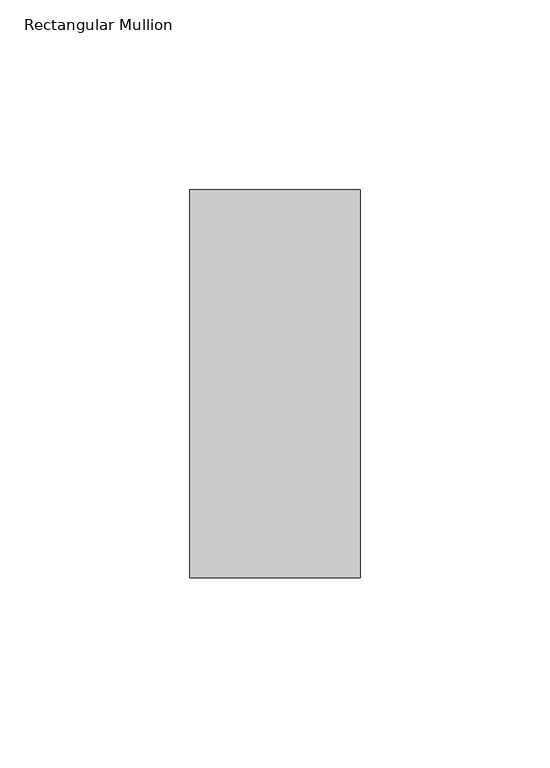
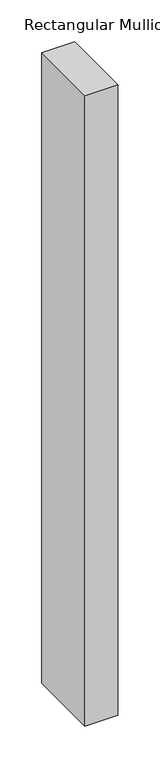
"""IFC4 building model written with IfcOpenShell, lengths in millimetres: member geometry, Rectangular Mullion."""

import ifcopenshell
import ifcopenshell.guid

model = None  # the IFC model being written
_history = None  # IfcOwnerHistory: only IFC2X3 demands one
_inside = {}  # id of a spatial element -> (the spatial element, [elements in it])
_under = {}  # id of a project, library or spatial element -> (it, [spatial elements below it])
_declared = {}  # id of a project -> (the project, [libraries it declares])
_typed = {}  # id of a type object -> (the type object, [elements of that type])
_made_of = {}  # id of a material, layer set ... -> (it, [elements and type objects made of it])


def new_model(schema):
    """Start an empty IFC model of exactly this schema.

    Asked for "IFC4X3", IfcOpenShell would pick the latest addendum, in which some entities
    have other attributes; the version numbers below select the first issue.
    IFC2X3 requires an IfcOwnerHistory on every rooted entity: one is made here for all.
    """
    global model, _history
    if schema == "IFC4X3":
        model = ifcopenshell.file(schema_version=(4, 3, 0, 0))
    else:
        model = ifcopenshell.file(schema=schema)
    _inside.clear()
    _under.clear()
    _declared.clear()
    _typed.clear()
    _made_of.clear()
    _history = None
    if model.schema == "IFC2X3":
        org = make("IfcOrganization", Name="unknown")
        user = make(
            "IfcPersonAndOrganization",
            ThePerson=make("IfcPerson", FamilyName="unknown"),
            TheOrganization=org,
        )
        app = make(
            "IfcApplication",
            ApplicationDeveloper=org,
            Version="unknown",
            ApplicationFullName="unknown",
            ApplicationIdentifier="unknown",
        )
        _history = make(
            "IfcOwnerHistory",
            OwningUser=user,
            OwningApplication=app,
            ChangeAction="ADDED",
            CreationDate=0,
        )
    return model


def make(cls, **values):
    """One entity of the class cls with the attributes given. An attribute that is None is left unset."""
    return model.create_entity(
        cls, **{name: value for name, value in values.items() if value is not None}
    )


def rooted(cls, **values):
    """An entity with a GlobalId (a new one), such as an element, a storey or a relation."""
    return make(cls, GlobalId=ifcopenshell.guid.new(), OwnerHistory=_history, **values)


def si_unit(unit_type, name, prefix=None):
    """IfcSIUnit, for example si_unit("LENGTHUNIT", "METRE", prefix="MILLI")."""
    return make("IfcSIUnit", UnitType=unit_type, Prefix=prefix, Name=name)


def assignment(units):
    """IfcUnitAssignment: the units of a project."""
    return None if units is None else make("IfcUnitAssignment", Units=units)


def point(xyz):
    """IfcCartesianPoint."""
    return None if xyz is None else make("IfcCartesianPoint", Coordinates=xyz)


def direction(xyz):
    """IfcDirection."""
    return None if xyz is None else make("IfcDirection", DirectionRatios=xyz)


def frame(location, z_axis=None, x_axis=None):
    """IfcAxis2Placement3D, a coordinate frame: its origin and axes. An axis left out is left unset."""
    return make(
        "IfcAxis2Placement3D",
        Location=point(location),
        Axis=direction(z_axis),
        RefDirection=direction(x_axis),
    )


def origin():
    """The frame at (0, 0, 0) with its axes left unset."""
    return frame((0.0, 0.0, 0.0))


def place(relative_to, where):
    """IfcLocalPlacement: puts the frame where relative to a parent placement (None: the world)."""
    return make(
        "IfcLocalPlacement", PlacementRelTo=relative_to, RelativePlacement=where
    )


def context(
    kind, dimensions, precision=None, world=None, true_north=None, identifier=None
):
    """IfcGeometricRepresentationContext, for example the 3D "Model" context."""
    return make(
        "IfcGeometricRepresentationContext",
        ContextIdentifier=identifier,
        ContextType=kind,
        CoordinateSpaceDimension=dimensions,
        Precision=precision,
        WorldCoordinateSystem=world,
        TrueNorth=true_north,
    )


def project(units=None, contexts=None):
    """IfcProject with its units and contexts."""
    return rooted(
        "IfcProject",
        Name="project",
        RepresentationContexts=contexts,
        UnitsInContext=assignment(units),
    )


def spatial(cls, under=None, at=None, **own):
    """A site, building, storey or space (cls), placed at a placement, below another one or the project."""
    s = rooted(cls, ObjectPlacement=at, **own)
    if under is not None:
        _under.setdefault(under.id(), (under, []))[1].append(s)
    return s


def polyline(points):
    """IfcPolyline through the points."""
    return make("IfcPolyline", Points=[point(p) for p in points])


def outline(outer, holes=None, kind="AREA"):
    """IfcArbitraryClosedProfileDef: a profile drawn as a closed curve; with holes, ...WithVoids."""
    if holes is None:
        return make("IfcArbitraryClosedProfileDef", ProfileType=kind, OuterCurve=outer)
    return make(
        "IfcArbitraryProfileDefWithVoids",
        ProfileType=kind,
        OuterCurve=outer,
        InnerCurves=holes,
    )


def extrude(swept, where, along, depth):
    """IfcExtrudedAreaSolid: the profile swept, set in the frame where, extruded along a direction by depth."""
    return make(
        "IfcExtrudedAreaSolid",
        SweptArea=swept,
        Position=where,
        ExtrudedDirection=direction(along),
        Depth=depth,
    )


def shape(context_of_items, identifier, shape_type, items):
    """IfcShapeRepresentation: the items that make up one representation, for example the "Body"."""
    return make(
        "IfcShapeRepresentation",
        ContextOfItems=context_of_items,
        RepresentationIdentifier=identifier,
        RepresentationType=shape_type,
        Items=items,
    )


def source(mapping_origin, context_of_items, identifier, shape_type, items):
    """IfcRepresentationMap: a shape defined once, which mapped items show again and again."""
    return make(
        "IfcRepresentationMap",
        MappingOrigin=mapping_origin,
        MappedRepresentation=shape(context_of_items, identifier, shape_type, items),
    )


def transform(
    local_origin,
    x_axis=None,
    y_axis=None,
    z_axis=None,
    scale=None,
    scale2=None,
    scale3=None,
    uniform=True,
):
    """IfcCartesianTransformationOperator3D, or its non-uniform kind. x_axis, y_axis, z_axis: its Axis1, 2, 3."""
    if uniform:
        return make(
            "IfcCartesianTransformationOperator3D",
            Axis1=direction(x_axis),
            Axis2=direction(y_axis),
            LocalOrigin=point(local_origin),
            Scale=scale,
            Axis3=direction(z_axis),
        )
    return make(
        "IfcCartesianTransformationOperator3DnonUniform",
        Axis1=direction(x_axis),
        Axis2=direction(y_axis),
        LocalOrigin=point(local_origin),
        Scale=scale,
        Axis3=direction(z_axis),
        Scale2=scale2,
        Scale3=scale3,
    )


def mapped(mapping_source, mapping_target):
    """IfcMappedItem: shows the shape of a source again, moved by a transform."""
    return make(
        "IfcMappedItem", MappingSource=mapping_source, MappingTarget=mapping_target
    )


def made_of(thing, what):
    """Note that an element or type object is made of a material, layer set ...; save() writes the relation."""
    if what is not None:
        _made_of.setdefault(what.id(), (what, []))[1].append(thing)
    return thing


def element(
    cls,
    number,
    at=None,
    inside=None,
    cuts=None,
    type_object=None,
    material=None,
    context=None,
    identifier="Body",
    shape_type=None,
    held_by="IfcProductDefinitionShape",
    body=None,
    shapes=None,
    **own,
):
    """One element of the class cls, such as IfcWall. Its Tag is "e" and its number.

    at: its placement. inside: the storey or other place that contains it. cuts: it is an
    opening in that element (IfcRelVoidsElement). A single representation is given by context,
    identifier, shape_type and body (its items); several are given by shapes. held_by: the class
    of the entity that holds the representations. save() writes the other relations.
    """
    e = rooted(cls, Tag="e%d" % number, ObjectPlacement=at, **own)
    if body is not None:
        shapes = [shape(context, identifier, shape_type, body)]
    if shapes is not None:
        e.Representation = make(held_by, Representations=shapes)
    if inside is not None:
        _inside.setdefault(inside.id(), (inside, []))[1].append(e)
    if cuts is not None:
        rooted(
            "IfcRelVoidsElement", RelatingBuildingElement=cuts, RelatedOpeningElement=e
        )
    if type_object is not None:
        _typed.setdefault(type_object.id(), (type_object, []))[1].append(e)
    return made_of(e, material)


def aggregate(whole, parts):
    """IfcRelAggregates: a whole, such as a stair, and the parts it consists of."""
    return rooted("IfcRelAggregates", RelatingObject=whole, RelatedObjects=parts)


def save(model, path):
    """Write the relations noted so far, then the file.

    IfcRelAggregates (storeys below a building ...), IfcRelContainedInSpatialStructure (elements
    in a storey), IfcRelDefinesByType, IfcRelAssociatesMaterial and IfcRelDeclares: one each for
    every whole, place, type object, material and project.
    """
    for whole, parts in _under.values():
        aggregate(whole, parts)
    for where, things in _inside.values():
        rooted(
            "IfcRelContainedInSpatialStructure",
            RelatedElements=things,
            RelatingStructure=where,
        )
    for kind, things in _typed.values():
        rooted("IfcRelDefinesByType", RelatedObjects=things, RelatingType=kind)
    for what, things in _made_of.values():
        rooted("IfcRelAssociatesMaterial", RelatedObjects=things, RelatingMaterial=what)
    for by, libraries in _declared.values():
        rooted("IfcRelDeclares", RelatingContext=by, RelatedDefinitions=libraries)
    model.write(path)


def rectangular_mullion_9721c4d1(model_context):
    return source(origin(), model_context, "Body", "SweptSolid", [
        extrude(outline(polyline([(-45.0, 66.73125), (0.0, 66.73125), (0.0, -35.73125), (-45.0, -35.73125), (-45.0, 66.73125)])), frame((0.0, 0.0, -916.787254), z_axis=(0.0, 0.0, 1.0), x_axis=(1.0, 0.0, 0.0)), (0.0, 0.0, 1.0), 916.787254),
    ])


if __name__ == "__main__":
    model = new_model("IFC4")
    model_context = context("Model", 3, world=origin())
    ifc_project = project(units=[si_unit("LENGTHUNIT", "METRE", prefix="MILLI")], contexts=[model_context])
    site = spatial("IfcSite", under=ifc_project)
    building = spatial("IfcBuilding", under=site)
    placement = place(None, origin())
    rectangular_mullion_shape = rectangular_mullion_9721c4d1(model_context)
    element("IfcMember", 1, ObjectType="Rectangular Mullion", at=placement, inside=building, context=model_context, shape_type="MappedRepresentation", body=[
        mapped(rectangular_mullion_shape, transform((0.0, 0.0, 0.0), x_axis=(1.0, 0.0, 0.0), y_axis=(0.0, 1.0, 0.0), z_axis=(0.0, 0.0, 1.0))),
    ])
    save(model, "model.ifc")
